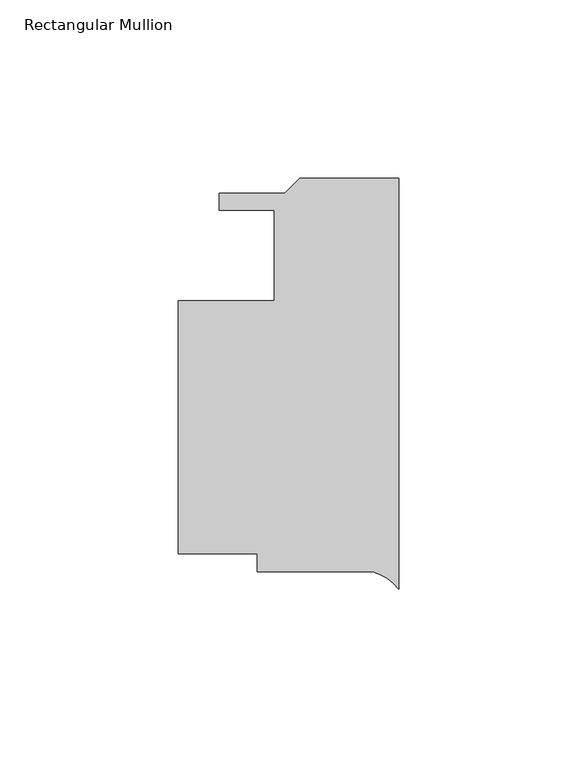
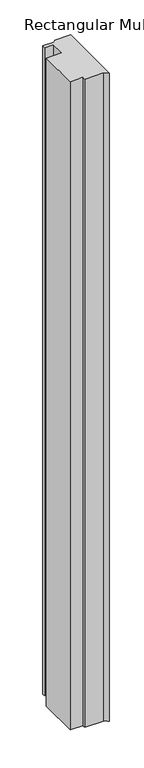
"""IFC4 building model written with IfcOpenShell, lengths in millimetres: member geometry, Rectangular Mullion."""

from ifc_helpers import new_model, si_unit, point, frame, frame_2d, origin, place, context, project, spatial, polyline, circle_curve, trimmed, segment, composite_curve, outline, extrude, source, transform, mapped, element, save


def rectangular_mullion_4581fbdb(model_context):
    return source(origin(), model_context, "Body", "SweptSolid", [
        extrude(outline(composite_curve([segment(trimmed(circle_curve(frame_2d((-10.8038066, -114.8466887)), 13.6928942), [point((0.0, -106.4340129))], [point((-7.2766376, -101.615875))], True, "CARTESIAN"), True, "CONTINUOUS"), segment(polyline([(-7.2766376, -101.615875), (-39.671625, -101.615875), (-39.671625, -96.535875), (-61.896625, -96.535875), (-61.896625, -25.4158752), (-34.9091255, -25.4158752), (-34.9091255, -0.0158751), (-50.4102745, -0.0158751), (-50.4102745, 4.683125), (-32.0277667, 4.683125), (-27.7605667, 8.950325), (0.0, 8.950325), (0.0, -106.4340129)]), True, "CONTINUOUS")], self_intersect=False)), frame((0.0, 0.0, -1187.4560108), z_axis=(0.0, 0.0, 1.0), x_axis=(1.0, 0.0, 0.0)), (0.0, 0.0, 1.0), 1187.4560108),
    ])


if __name__ == "__main__":
    model = new_model("IFC4")
    model_context = context("Model", 3, world=origin())
    ifc_project = project(units=[si_unit("LENGTHUNIT", "METRE", prefix="MILLI")], contexts=[model_context])
    site = spatial("IfcSite", under=ifc_project)
    building = spatial("IfcBuilding", under=site)
    placement = place(None, origin())
    rectangular_mullion_shape = rectangular_mullion_4581fbdb(model_context)
    element("IfcMember", 1, ObjectType="Rectangular Mullion", at=placement, inside=building, context=model_context, shape_type="MappedRepresentation", body=[
        mapped(rectangular_mullion_shape, transform((0.0, 0.0, 0.0), x_axis=(1.0, 0.0, 0.0), y_axis=(0.0, 1.0, 0.0), z_axis=(0.0, 0.0, 1.0))),
    ])
    save(model, "model.ifc")
